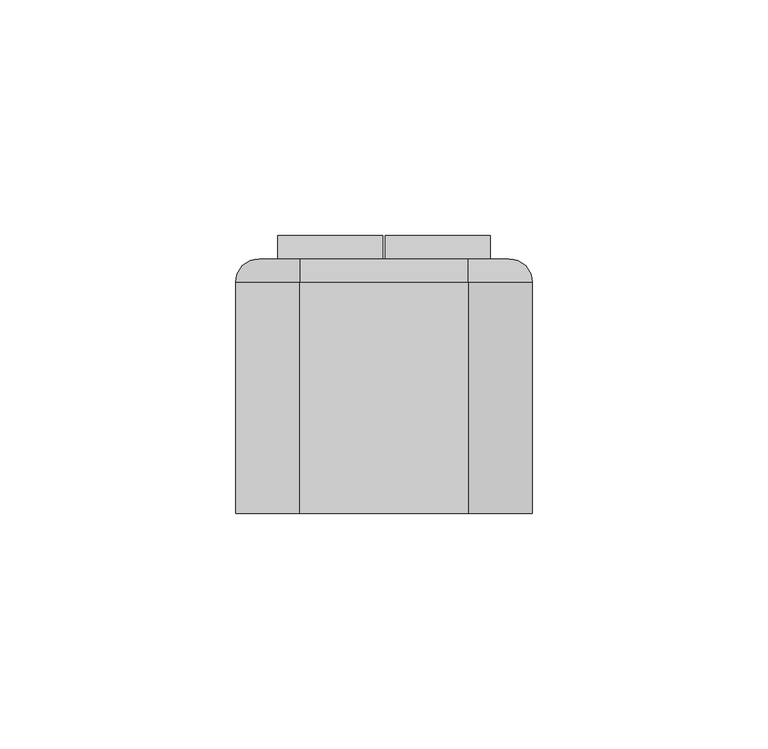
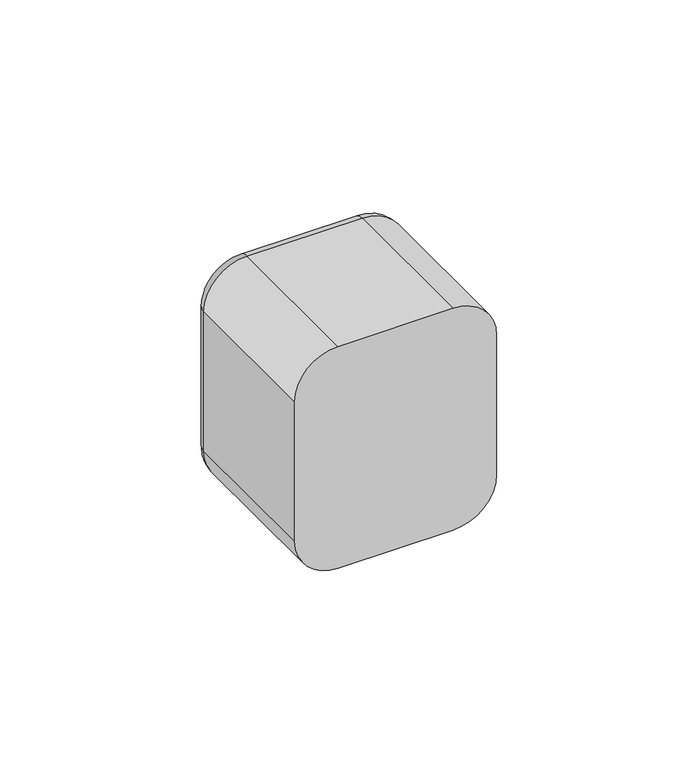
"""IFC4 building model written with IfcOpenShell, lengths in millimetres: switching device geometry."""

from ifc_helpers import new_model, si_unit, point, frame, origin, place, context, project, spatial, polyline, circle_curve, ellipse_curve, trimmed, outline, extrude, faceted_brep, source, transform, mapped, element, save
from ifc_brep_helpers import plane_surface, cylinder_surface, revolved_surface, advanced_brep


def switching_device_d372c8a7(model_context):
    return source(origin(), model_context, "Body", "SolidModel", [
        advanced_brep(
        [(17.9328665, 54.0, 31.5), (26.5, 54.0, 22.9328665), (26.5, 54.0, -22.9328665), (17.9328665, 54.0, -31.5), (-17.9328665, 54.0, -31.5), (-26.5, 54.0, -22.9328665), (-26.5, 54.0, 22.9328665), (-17.9328665, 54.0, 31.5), (22.5, 54.0, 22.5), (-22.5, 54.0, 22.5), (-22.5, 54.0, -22.5), (22.5, 54.0, -22.5), (-17.9328665, 0.0, 36.5), (-31.5, 0.0, 22.9328665), (-31.5, 0.0, -22.9328665), (-17.9328665, 0.0, -36.5), (17.9328665, 0.0, -36.5), (31.5, 0.0, -22.9328665), (31.5, 0.0, 22.9328665), (17.9328665, 0.0, 36.5), (22.5, 2.0, -22.5), (22.5, 2.0, 22.5), (-22.5, 2.0, -22.5), (-22.5, 2.0, 22.5), (-31.5, 49.0, 22.9328665), (-31.5, 49.0, -22.9328665), (-17.9328665, 49.0, -36.5), (17.9328665, 49.0, -36.5), (31.5, 49.0, -22.9328665), (31.5, 49.0, 22.9328665), (17.9328665, 49.0000072, 36.5), (-17.9328665, 49.0, 36.5)],
        [
            (0, 1, circle_curve(frame((17.9328665, 54.0, 22.9328665), z_axis=(0.0, 1.0, 0.0), x_axis=(0.0, 0.0, 1.0)), 8.5671335)),
            (1, 2),
            (2, 3, circle_curve(frame((17.9328665, 54.0, -22.9328665), z_axis=(0.0, 1.0, 0.0), x_axis=(1.0, 0.0, 0.0)), 8.5671335)),
            (3, 4),
            (4, 5, circle_curve(frame((-17.9328665, 54.0, -22.9328665), z_axis=(0.0, 1.0, 0.0), x_axis=(0.0, 0.0, -1.0)), 8.5671335)),
            (5, 6),
            (6, 7, circle_curve(frame((-17.9328665, 54.0, 22.9328665), z_axis=(0.0, 1.0, 0.0), x_axis=(-1.0, 0.0, 0.0)), 8.5671335)),
            (7, 0),
            (8, 9),
            (9, 10),
            (10, 11),
            (11, 8),
            (12, 13, circle_curve(frame((-17.9328665, 0.0, 22.9328665), z_axis=(0.0, -1.0, 0.0), x_axis=(1.0, 0.0, 0.0)), 13.5671335)),
            (13, 14),
            (14, 15, circle_curve(frame((-17.9328665, 0.0, -22.9328665), z_axis=(0.0, -1.0, 0.0), x_axis=(1.0, 0.0, 0.0)), 13.5671335)),
            (15, 16),
            (16, 17, circle_curve(frame((17.9328665, 0.0, -22.9328665), z_axis=(0.0, -1.0, 0.0), x_axis=(1.0, 0.0, 0.0)), 13.5671335)),
            (17, 18),
            (18, 19, circle_curve(frame((17.9328665, 0.0, 22.9328665), z_axis=(0.0, -1.0, 0.0), x_axis=(1.0, 0.0, 0.0)), 13.5671335)),
            (19, 12),
            (11, 20),
            (20, 21),
            (21, 8),
            (10, 22),
            (22, 20),
            (9, 23),
            (23, 22),
            (21, 23),
            (13, 24),
            (24, 25),
            (25, 14),
            (15, 26),
            (26, 27),
            (27, 16),
            (17, 28),
            (28, 29),
            (29, 18),
            (19, 30),
            (30, 31),
            (31, 12),
            (31, 24, circle_curve(frame((-17.9328665, 49.0, 22.9328665), z_axis=(0.0, -1.0, 0.0), x_axis=(1.0, 0.0, 0.0)), 13.5671335)),
            (25, 26, circle_curve(frame((-17.9328665, 49.0, -22.9328665), z_axis=(0.0, -1.0, 0.0), x_axis=(1.0, 0.0, 0.0)), 13.5671335)),
            (27, 28, circle_curve(frame((17.9328665, 49.0, -22.9328665), z_axis=(0.0, -1.0, 0.0), x_axis=(1.0, 0.0, 0.0)), 13.5671335)),
            (29, 30, circle_curve(frame((17.9328665, 49.0, 22.9328665), z_axis=(0.0, -1.0, 0.0), x_axis=(1.0, 0.0, 0.0)), 13.5671335)),
            (29, 1, circle_curve(frame((26.5, 49.0, 22.9328665), z_axis=(0.0, 0.0, 1.0), x_axis=(0.0, 1.0, 0.0)), 5.0)),
            (0, 30, circle_curve(frame((17.9328665, 49.0, 31.5), z_axis=(1.0, 0.0, 0.0), x_axis=(0.0, 1.0, 0.0)), 5.0)),
            (28, 2, circle_curve(frame((26.5, 49.0, -22.9328665), z_axis=(0.0, 0.0, 1.0), x_axis=(0.0, 1.0, 0.0)), 5.0)),
            (27, 3, circle_curve(frame((17.9328665, 49.0, -31.5), z_axis=(1.0, 0.0, 0.0), x_axis=(0.0, 1.0, 0.0)), 5.0)),
            (26, 4, circle_curve(frame((-17.9328665, 49.0, -31.5), z_axis=(1.0, 0.0, 0.0), x_axis=(0.0, 1.0, 0.0)), 5.0)),
            (25, 5, circle_curve(frame((-26.5, 49.0, -22.9328665), z_axis=(0.0, 0.0, -1.0), x_axis=(0.0, 1.0, 0.0)), 5.0)),
            (24, 6, circle_curve(frame((-26.5, 49.0, 22.9328665), z_axis=(0.0, 0.0, -1.0), x_axis=(0.0, 1.0, 0.0)), 5.0)),
            (31, 7, circle_curve(frame((-17.9328665, 49.0, 31.5), z_axis=(-1.0, 0.0, 0.0), x_axis=(0.0, 1.0, 0.0)), 5.0)),
        ],
        [
            plane_surface(frame((22.5, 54.0, 6.9412233), z_axis=(0.0, 1.0, 0.0), x_axis=(0.0, 0.0, 1.0))),
            plane_surface(frame((22.5, 0.0, 6.9412233), z_axis=(0.0, -1.0, 0.0), x_axis=(0.0, 0.0, -1.0))),
            plane_surface(frame((22.5, 0.0, 22.5), z_axis=(-1.0, 0.0, 0.0), x_axis=(0.0, 1.0, 0.0))),
            plane_surface(frame((22.5, 0.0, -22.5), z_axis=(0.0, 0.0, 1.0), x_axis=(0.0, 1.0, 0.0))),
            plane_surface(frame((-22.5, 0.0, -22.5), z_axis=(1.0, 0.0, 0.0), x_axis=(0.0, 1.0, 0.0))),
            plane_surface(frame((-22.5, 0.0, 22.5), z_axis=(0.0, 0.0, -1.0), x_axis=(0.0, 1.0, 0.0))),
            plane_surface(frame((-31.5, 0.0, 22.9328665), z_axis=(-1.0, 0.0, 0.0), x_axis=(0.0, 1.0, 0.0))),
            plane_surface(frame((-17.9328665, 0.0, -36.5), z_axis=(0.0, 0.0, -1.0), x_axis=(0.0, 1.0, 0.0))),
            plane_surface(frame((31.5, 0.0, -22.9328665), z_axis=(1.0, 0.0, 0.0), x_axis=(0.0, 1.0, 0.0))),
            plane_surface(frame((17.9328665, 0.0, 36.5), z_axis=(0.0, 0.0, 1.0), x_axis=(0.0, 1.0, 0.0))),
            cylinder_surface(frame((-17.9328665, 0.0, 22.9328665), z_axis=(0.0, -1.0, 0.0), x_axis=(1.0, 0.0, 0.0)), 13.5671335),
            cylinder_surface(frame((-17.9328665, 0.0, -22.9328665), z_axis=(0.0, -1.0, 0.0), x_axis=(1.0, 0.0, 0.0)), 13.5671335),
            cylinder_surface(frame((17.9328665, 0.0, -22.9328665), z_axis=(0.0, -1.0, 0.0), x_axis=(1.0, 0.0, 0.0)), 13.5671335),
            cylinder_surface(frame((17.9328665, 0.0, 22.9328665), z_axis=(0.0, -1.0, 0.0), x_axis=(1.0, 0.0, 0.0)), 13.5671335),
            plane_surface(frame((-22.5, 2.0, 31.0), z_axis=(0.0, 1.0, 0.0), x_axis=(0.0, 0.0, 1.0))),
            revolved_surface(trimmed(ellipse_curve(frame((17.9328665, 49.0, 31.5), z_axis=(-1.0, 0.0, 0.0), x_axis=(0.0, 1.0, 0.0)), 5.0, 5.0), [point((17.9328665, 49.0, 36.5))], [point((17.9328665, 54.0, 31.5))], True, "CARTESIAN"), (17.9328665, 54.0, 22.9328665), (0.0, 1.0, 0.0)),
            cylinder_surface(frame((26.5, 49.0, 22.9328665), z_axis=(0.0, 0.0, -1.0), x_axis=(0.0, 1.0, 0.0)), 5.0),
            revolved_surface(trimmed(ellipse_curve(frame((26.5, 49.0, -22.9328665), z_axis=(0.0, 0.0, 1.0), x_axis=(0.0, 1.0, 0.0)), 5.0, 5.0), [point((31.5, 49.0, -22.9328665))], [point((26.5, 54.0, -22.9328665))], True, "CARTESIAN"), (17.9328665, 54.0, -22.9328665), (0.0, 1.0, 0.0)),
            cylinder_surface(frame((17.9328665, 49.0, -31.5), z_axis=(-1.0, 0.0, 0.0), x_axis=(0.0, 1.0, 0.0)), 5.0),
            revolved_surface(trimmed(ellipse_curve(frame((-17.9328665, 49.0, -31.5), z_axis=(1.0, 0.0, 0.0), x_axis=(0.0, 1.0, 0.0)), 5.0, 5.0), [point((-17.9328665, 49.0, -36.5))], [point((-17.9328665, 54.0, -31.5))], True, "CARTESIAN"), (-17.9328665, 54.0, -22.9328665), (0.0, 1.0, 0.0)),
            cylinder_surface(frame((-26.5, 49.0, -22.9328665), z_axis=(0.0, 0.0, 1.0), x_axis=(0.0, 1.0, 0.0)), 5.0),
            revolved_surface(trimmed(ellipse_curve(frame((-26.5, 49.0, 22.9328665), z_axis=(0.0, 0.0, -1.0), x_axis=(0.0, 1.0, 0.0)), 5.0, 5.0), [point((-31.5, 49.0, 22.9328665))], [point((-26.5, 54.0, 22.9328665))], True, "CARTESIAN"), (-17.9328665, 54.0, 22.9328665), (0.0, 1.0, 0.0)),
            cylinder_surface(frame((-17.9328665, 49.0, 31.5), z_axis=(1.0, 0.0, 0.0), x_axis=(0.0, 1.0, 0.0)), 5.0),
        ],
        [
            (0, [[1, 2, 3, 4, 5, 6, 7, 8], [9, 10, 11, 12]]),
            (1, [[13, 14, 15, 16, 17, 18, 19, 20]]),
            (2, [[-12, 21, 22, 23]]),
            (3, [[-11, 24, 25, -21]]),
            (4, [[-10, 26, 27, -24]]),
            (5, [[-9, -23, 28, -26]]),
            (6, [[-14, 29, 30, 31]]),
            (7, [[-16, 32, 33, 34]]),
            (8, [[-18, 35, 36, 37]]),
            (9, [[-20, 38, 39, 40]]),
            (10, [[-13, -40, 41, -29]]),
            (11, [[-15, -31, 42, -32]]),
            (12, [[-17, -34, 43, -35]]),
            (13, [[-19, -37, 44, -38]]),
            (14, [[-22, -25, -27, -28]]),
            (15, [[45, -1, 46, -44]]),
            (16, [[-45, -36, 47, -2]]),
            (17, [[-47, -43, 48, -3]]),
            (18, [[-48, -33, 49, -4]]),
            (19, [[-49, -42, 50, -5]]),
            (20, [[-50, -30, 51, -6]]),
            (21, [[-51, -41, 52, -7]]),
            (22, [[-46, -8, -52, -39]]),
        ],
    ),
        extrude(outline(polyline([(0.0, -2.0), (0.0, 0.0), (0.9999999, 0.0), (0.9999999, -2.0), (0.0, -2.0)])), frame((4.0, 56.2452249, -2.4844182), z_axis=(0.0, 0.11147470448260181, 0.9937672716790973), x_axis=(0.0, -0.9937672716790973, 0.11147470448260181)), (0.0, 0.0, 1.0), 5.0),
        faceted_brep([(22.5, 54.0, -22.5), (22.5, 58.9850961, 21.9408026), (22.5, 54.0, 22.5), (0.25, 54.0, -22.5), (0.25, 54.0, 22.5), (0.25, 58.9850961, 21.9408026), (4.0, 56.2452249, -2.4844182), (4.0, 56.8025985, 2.4844182), (2.0, 56.8025985, 2.4844182), (2.0, 56.2452249, -2.4844182), (4.0, 55.2514577, -2.3729435), (2.0, 55.2514577, -2.3729435), (2.0, 55.8088312, 2.5958929), (4.0, 55.8088312, 2.5958929)], [[[0, 1, 2]], [[3, 4, 5]], [[1, 0, 3, 5], [6, 7, 8, 9]], [[2, 1, 5, 4]], [[0, 2, 4, 3]], [[10, 11, 12, 13]], [[10, 13, 7, 6]], [[13, 12, 8, 7]], [[12, 11, 9, 8]], [[11, 10, 6, 9]]]),
        faceted_brep([(-0.25, 54.0, -22.5), (-0.25, 58.9850961, 21.9408026), (-0.25, 54.0, 22.5), (-22.5, 54.0, -22.5), (-22.5, 54.0, 22.5), (-22.5, 58.9850961, 21.9408026), (-2.0, 56.2452249, -2.4844182), (-2.0, 56.8025985, 2.4844182), (-4.0, 56.8025985, 2.4844182), (-4.0, 56.2452249, -2.4844182), (-2.0, 55.2514577, -2.3729435), (-4.0, 55.2514577, -2.3729435), (-4.0, 55.8088312, 2.5958929), (-2.0, 55.8088312, 2.5958929)], [[[0, 1, 2]], [[3, 4, 5]], [[1, 0, 3, 5], [6, 7, 8, 9]], [[2, 1, 5, 4]], [[0, 2, 4, 3]], [[10, 11, 12, 13]], [[10, 13, 7, 6]], [[13, 12, 8, 7]], [[12, 11, 9, 8]], [[11, 10, 6, 9]]]),
        extrude(outline(polyline([(0.0, -2.0), (0.0, 0.0), (0.9999999, 0.0), (0.9999999, -2.0), (0.0, -2.0)])), frame((-2.0, 56.2452249, -2.4844182), z_axis=(0.0, 0.11147470448260181, 0.9937672716790973), x_axis=(0.0, -0.9937672716790973, 0.11147470448260181)), (0.0, 0.0, 1.0), 5.0),
        extrude(outline(polyline([(22.5, 2.0), (-22.5, 2.0), (-22.5, 46.0), (22.5, 46.0), (22.5, 2.0)])), frame((0.0, 0.0, -22.5), z_axis=(0.0, 0.0, 1.0), x_axis=(1.0, 0.0, 0.0)), (0.0, 0.0, 1.0), 45.0),
        extrude(outline(polyline([(22.5, 46.0), (-22.5, 46.0), (-22.5, 54.0), (22.5, 54.0), (22.5, 46.0)])), frame((0.0, 0.0, -22.5), z_axis=(0.0, 0.0, 1.0), x_axis=(1.0, 0.0, 0.0)), (0.0, 0.0, 1.0), 45.0),
    ])


if __name__ == "__main__":
    model = new_model("IFC4")
    model_context = context("Model", 3, world=origin())
    ifc_project = project(units=[si_unit("LENGTHUNIT", "METRE", prefix="MILLI")], contexts=[model_context])
    site = spatial("IfcSite", under=ifc_project)
    building = spatial("IfcBuilding", under=site)
    placement = place(None, origin())
    switching_device_shape = switching_device_d372c8a7(model_context)
    element("IfcSwitchingDevice", 1, at=placement, inside=building, context=model_context, shape_type="MappedRepresentation", body=[
        mapped(switching_device_shape, transform((0.0, 0.0, 0.0), x_axis=(1.0, 0.0, 0.0), y_axis=(0.0, 1.0, 0.0), z_axis=(0.0, 0.0, 1.0))),
    ])
    save(model, "model.ifc")
